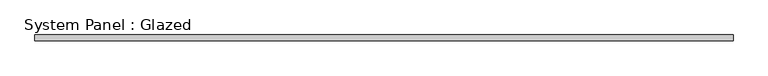
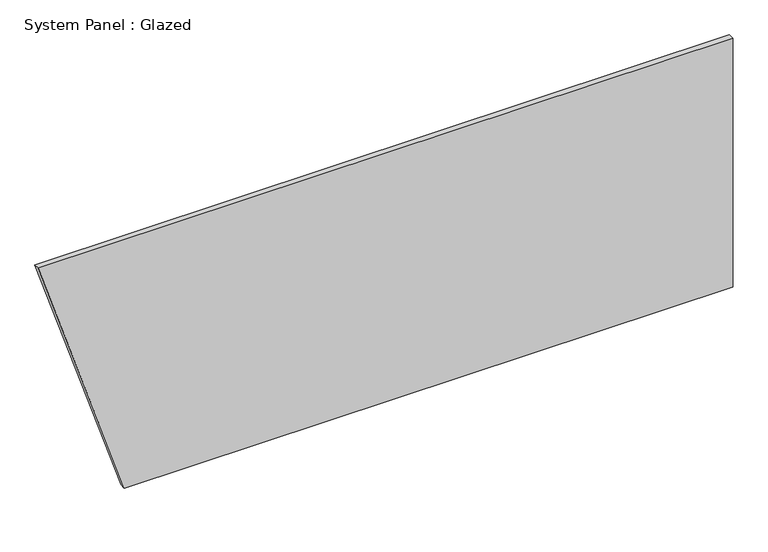
"""IFC4 building model written with IfcOpenShell, lengths in millimetres: plate geometry, System Panel : Glazed."""

from ifc_helpers import new_model, si_unit, frame, origin, place, context, project, spatial, polyline, outline, extrude, source, transform, mapped, element, save


def system_panel_glazed_49c2ca95(model_context):
    return source(origin(), model_context, "Body", "SweptSolid", [
        extrude(outline(polyline([(0.0, -1147.6891608), (0.0, 1526.5930389), (1155.7, 1526.5930389), (1155.7, -1526.5930389), (0.0, -1147.6891608)])), frame((0.0, -44.45, 0.0), z_axis=(0.0, 1.0, 0.0), x_axis=(0.0, 0.0, 1.0)), (0.0, 0.0, 1.0), 25.4),
    ])


if __name__ == "__main__":
    model = new_model("IFC4")
    model_context = context("Model", 3, world=origin())
    ifc_project = project(units=[si_unit("LENGTHUNIT", "METRE", prefix="MILLI")], contexts=[model_context])
    site = spatial("IfcSite", under=ifc_project)
    building = spatial("IfcBuilding", under=site)
    placement = place(None, origin())
    system_panel_glazed_shape = system_panel_glazed_49c2ca95(model_context)
    element("IfcPlate", 1, ObjectType="System Panel : Glazed", at=placement, inside=building, context=model_context, shape_type="MappedRepresentation", body=[
        mapped(system_panel_glazed_shape, transform((0.0, 0.0, 0.0), x_axis=(1.0, 0.0, 0.0), y_axis=(0.0, 1.0, 0.0), z_axis=(0.0, 0.0, 1.0))),
    ])
    save(model, "model.ifc")
